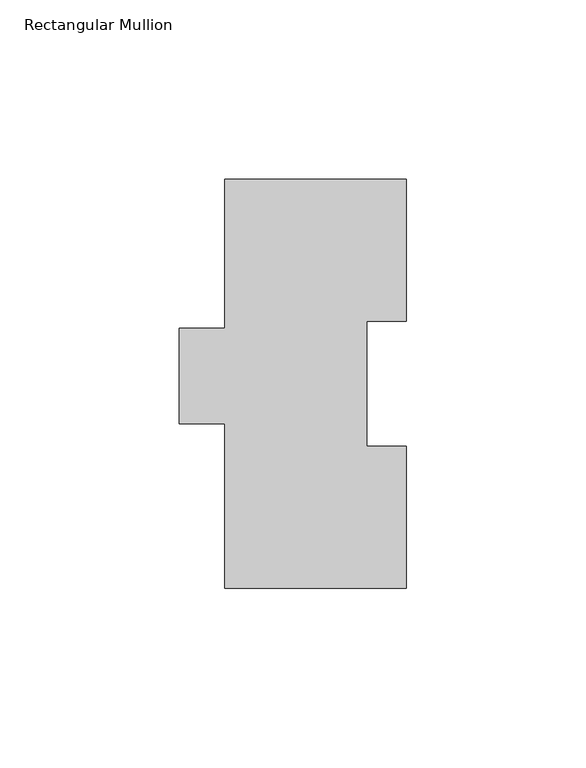
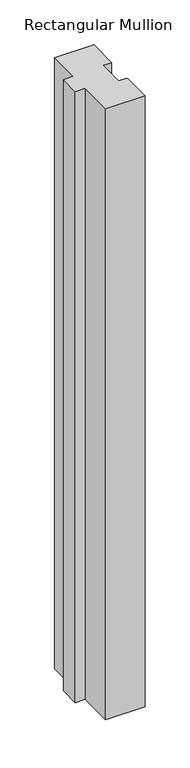
"""IFC4 building model written with IfcOpenShell, lengths in millimetres: member geometry, Rectangular Mullion."""

from ifc_helpers import new_model, si_unit, frame, origin, place, context, project, spatial, polyline, outline, extrude, source, transform, mapped, element, save


def rectangular_mullion_0d7d39ad(model_context):
    return source(origin(), model_context, "Body", "SweptSolid", [
        extrude(outline(polyline([(0.0, 114.271425), (0.0, 74.596625), (-11.1252, 74.596625), (-11.1252, 39.646225), (0.0, 39.646225), (0.0, -0.028575), (-50.8, -0.028575), (-50.8, 46.008925), (-63.5, 46.008925), (-63.5, 72.564625), (-50.8, 72.564625), (-50.8, 114.271425), (0.0, 114.271425)])), frame((0.0, 0.0, -831.85), z_axis=(0.0, 0.0, 1.0), x_axis=(1.0, 0.0, 0.0)), (0.0, 0.0, 1.0), 831.85),
    ])


if __name__ == "__main__":
    model = new_model("IFC4")
    model_context = context("Model", 3, world=origin())
    ifc_project = project(units=[si_unit("LENGTHUNIT", "METRE", prefix="MILLI")], contexts=[model_context])
    site = spatial("IfcSite", under=ifc_project)
    building = spatial("IfcBuilding", under=site)
    placement = place(None, origin())
    rectangular_mullion_shape = rectangular_mullion_0d7d39ad(model_context)
    element("IfcMember", 1, ObjectType="Rectangular Mullion", at=placement, inside=building, context=model_context, shape_type="MappedRepresentation", body=[
        mapped(rectangular_mullion_shape, transform((0.0, 0.0, 0.0), x_axis=(1.0, 0.0, 0.0), y_axis=(0.0, 1.0, 0.0), z_axis=(0.0, 0.0, 1.0))),
    ])
    save(model, "model.ifc")
